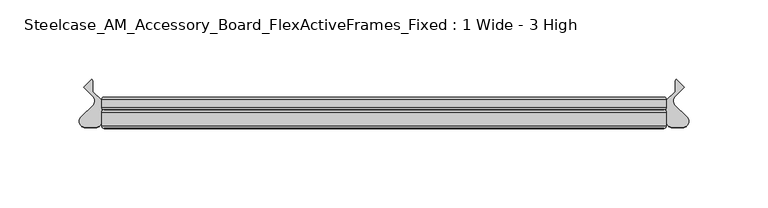
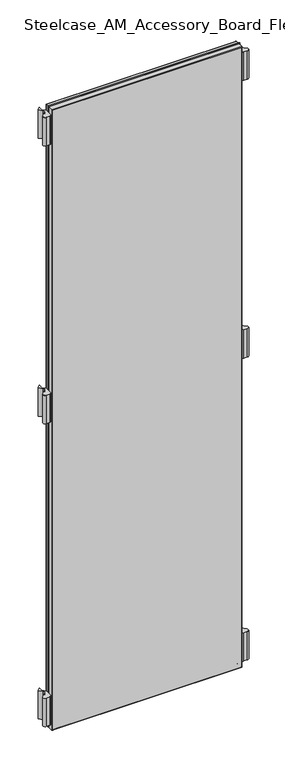
"""IFC4 building model written with IfcOpenShell, lengths in millimetres: furniture geometry, Steelcase_AM_Accessory_Board_FlexActiveFrames_Fixed : 1 Wide - 3 High."""

from ifc_helpers import new_model, si_unit, point, frame, frame_2d, origin, place, context, project, spatial, polyline, circle_curve, ellipse_curve, trimmed, segment, composite_curve, outline, extrude, source, transform, mapped, element, save
from ifc_brep_helpers import plane_surface, cylinder_surface, advanced_brep


def steelcase_am_accessory_board_flexactiveframes_fixed_1_wide_3_e4497c8a(model_context):
    return source(origin(), model_context, "Body", "SolidModel", [
        extrude(outline(composite_curve([segment(trimmed(circle_curve(frame_2d((366.3109206, -15.2513959)), 3.81), [point((369.0031146, -12.5554375))], [point((366.3109156, -19.0613959))], False, "CARTESIAN"), True, "CONTINUOUS"), segment(polyline([(366.3109156, -19.0613959), (359.8052393, -19.0613873)]), True, "CONTINUOUS"), segment(trimmed(circle_curve(frame_2d((359.8052443, -15.2513873)), 3.81), [point((359.8052393, -19.0613873))], [point((355.9952443, -15.2513873))], False, "CARTESIAN"), True, "CONTINUOUS"), segment(polyline([(355.9952443, -15.2513873), (355.9952443, -2.0686095), (361.4976034, 3.4250486), (361.4976034, 10.299411), (362.2035681, 11.2027231), (367.1573362, 6.2470172), (361.4203075, 0.3149559)]), True, "CONTINUOUS"), segment(trimmed(circle_curve(frame_2d((364.1590296, -2.3337233)), 3.81), [point((361.4203075, 0.3149559))], [point((361.4668356, -5.0296817))], True, "CARTESIAN"), True, "CONTINUOUS"), segment(polyline([(361.4668356, -5.0296817), (369.0031146, -12.5554375)]), True, "CONTINUOUS")], self_intersect=False)), frame((0.0, 0.0, 708.2536), z_axis=(0.0, 0.0, 1.0), x_axis=(1.0, 0.0, 0.0)), (0.0, 0.0, 1.0), 55.88),
        extrude(outline(composite_curve([segment(trimmed(circle_curve(frame_2d((366.3109206, -15.2513959)), 3.81), [point((369.0031146, -12.5554375))], [point((366.3109156, -19.0613959))], False, "CARTESIAN"), True, "CONTINUOUS"), segment(polyline([(366.3109156, -19.0613959), (359.8052393, -19.0613873)]), True, "CONTINUOUS"), segment(trimmed(circle_curve(frame_2d((359.8052443, -15.2513873)), 3.81), [point((359.8052393, -19.0613873))], [point((355.9952443, -15.2513873))], False, "CARTESIAN"), True, "CONTINUOUS"), segment(polyline([(355.9952443, -15.2513873), (355.9952443, -2.0686095), (361.4976034, 3.4250486), (361.4976034, 10.299411), (362.2035681, 11.2027231), (367.1573362, 6.2470172), (361.4203075, 0.3149559)]), True, "CONTINUOUS"), segment(trimmed(circle_curve(frame_2d((364.1590296, -2.3337233)), 3.81), [point((361.4203075, 0.3149559))], [point((361.4668356, -5.0296817))], True, "CARTESIAN"), True, "CONTINUOUS"), segment(polyline([(361.4668356, -5.0296817), (369.0031146, -12.5554375)]), True, "CONTINUOUS")], self_intersect=False)), frame((0.0, 0.0, 110.0836), z_axis=(0.0, 0.0, 1.0), x_axis=(1.0, 0.0, 0.0)), (0.0, 0.0, 1.0), 55.88),
        extrude(outline(composite_curve([segment(trimmed(circle_curve(frame_2d((366.3109206, -15.2513959)), 3.81), [point((369.0031146, -12.5554375))], [point((366.3109156, -19.0613959))], False, "CARTESIAN"), True, "CONTINUOUS"), segment(polyline([(366.3109156, -19.0613959), (359.8052393, -19.0613873)]), True, "CONTINUOUS"), segment(trimmed(circle_curve(frame_2d((359.8052443, -15.2513873)), 3.81), [point((359.8052393, -19.0613873))], [point((355.9952443, -15.2513873))], False, "CARTESIAN"), True, "CONTINUOUS"), segment(polyline([(355.9952443, -15.2513873), (355.9952443, -2.0686095), (361.4976034, 3.4250486), (361.4976034, 10.299411), (362.2035681, 11.2027231), (367.1573362, 6.2470172), (361.4203075, 0.3149559)]), True, "CONTINUOUS"), segment(trimmed(circle_curve(frame_2d((364.1590296, -2.3337233)), 3.81), [point((361.4203075, 0.3149559))], [point((361.4668356, -5.0296817))], True, "CARTESIAN"), True, "CONTINUOUS"), segment(polyline([(361.4668356, -5.0296817), (369.0031146, -12.5554375)]), True, "CONTINUOUS")], self_intersect=False)), frame((0.0, 0.0, 1257.1116006), z_axis=(0.0, 0.0, 1.0), x_axis=(1.0, 0.0, 0.0)), (0.0, 0.0, 1.0), 55.9983261),
        extrude(outline(composite_curve([segment(polyline([(-13.0078703, -12.5554375), (-5.4715914, -5.0296817)]), True, "CONTINUOUS"), segment(trimmed(circle_curve(frame_2d((-8.1637853, -2.3337233)), 3.81), [point((-5.4715914, -5.0296817))], [point((-5.4250632, 0.3149559))], True, "CARTESIAN"), True, "CONTINUOUS"), segment(polyline([(-5.4250632, 0.3149559), (-11.1620919, 6.2470172), (-6.2083238, 11.2027231), (-5.5023592, 10.299411), (-5.5023592, 3.4250486), (0.0, -2.0686095), (0.0, -15.2513873)]), True, "CONTINUOUS"), segment(trimmed(circle_curve(frame_2d((-3.81, -15.2513873)), 3.81), [point((0.0, -15.2513873))], [point((-3.809995, -19.0613873))], False, "CARTESIAN"), True, "CONTINUOUS"), segment(polyline([(-3.809995, -19.0613873), (-10.3156713, -19.0613959)]), True, "CONTINUOUS"), segment(trimmed(circle_curve(frame_2d((-10.3156763, -15.2513959)), 3.81), [point((-10.3156713, -19.0613959))], [point((-13.0078703, -12.5554375))], False, "CARTESIAN"), True, "CONTINUOUS")], self_intersect=False)), frame((0.0, 0.0, 708.2536), z_axis=(0.0, 0.0, 1.0), x_axis=(1.0, 0.0, 0.0)), (0.0, 0.0, 1.0), 55.88),
        extrude(outline(composite_curve([segment(polyline([(-13.0078703, -12.5554375), (-5.4715914, -5.0296817)]), True, "CONTINUOUS"), segment(trimmed(circle_curve(frame_2d((-8.1637853, -2.3337233)), 3.81), [point((-5.4715914, -5.0296817))], [point((-5.4250632, 0.3149559))], True, "CARTESIAN"), True, "CONTINUOUS"), segment(polyline([(-5.4250632, 0.3149559), (-11.1620919, 6.2470172), (-6.2083238, 11.2027231), (-5.5023592, 10.299411), (-5.5023592, 3.4250486), (0.0, -2.0686095), (0.0, -15.2513873)]), True, "CONTINUOUS"), segment(trimmed(circle_curve(frame_2d((-3.81, -15.2513873)), 3.81), [point((0.0, -15.2513873))], [point((-3.809995, -19.0613873))], False, "CARTESIAN"), True, "CONTINUOUS"), segment(polyline([(-3.809995, -19.0613873), (-10.3156713, -19.0613959)]), True, "CONTINUOUS"), segment(trimmed(circle_curve(frame_2d((-10.3156763, -15.2513959)), 3.81), [point((-10.3156713, -19.0613959))], [point((-13.0078703, -12.5554375))], False, "CARTESIAN"), True, "CONTINUOUS")], self_intersect=False)), frame((0.0, 0.0, 110.0836), z_axis=(0.0, 0.0, 1.0), x_axis=(1.0, 0.0, 0.0)), (0.0, 0.0, 1.0), 55.88),
        extrude(outline(composite_curve([segment(polyline([(-13.0078703, -12.5554375), (-5.4715914, -5.0296817)]), True, "CONTINUOUS"), segment(trimmed(circle_curve(frame_2d((-8.1637853, -2.3337233)), 3.81), [point((-5.4715914, -5.0296817))], [point((-5.4250632, 0.3149559))], True, "CARTESIAN"), True, "CONTINUOUS"), segment(polyline([(-5.4250632, 0.3149559), (-11.1620919, 6.2470172), (-6.2083238, 11.2027231), (-5.5023592, 10.299411), (-5.5023592, 3.4250486), (0.0, -2.0686095), (0.0, -15.2513873)]), True, "CONTINUOUS"), segment(trimmed(circle_curve(frame_2d((-3.81, -15.2513873)), 3.81), [point((0.0, -15.2513873))], [point((-3.809995, -19.0613873))], False, "CARTESIAN"), True, "CONTINUOUS"), segment(polyline([(-3.809995, -19.0613873), (-10.3156713, -19.0613959)]), True, "CONTINUOUS"), segment(trimmed(circle_curve(frame_2d((-10.3156763, -15.2513959)), 3.81), [point((-10.3156713, -19.0613959))], [point((-13.0078703, -12.5554375))], False, "CARTESIAN"), True, "CONTINUOUS")], self_intersect=False)), frame((0.0, 0.0, 1257.1116006), z_axis=(0.0, 0.0, 1.0), x_axis=(1.0, 0.0, 0.0)), (0.0, 0.0, 1.0), 55.9983261),
        extrude(outline(polyline([(354.4952389, -19.7016999), (1.5000053, -19.7016999), (1.5000053, -8.0000171), (354.4952389, -8.0000171), (354.4952389, -19.7016999)])), frame((0.0, 0.0, 100.1536053), z_axis=(0.0, 0.0, 1.0), x_axis=(1.0, 0.0, 0.0)), (0.0, 0.0, 1.0), 1222.9563893),
        advanced_brep(
        [(0.0, -9.5000224, 1324.61), (1.5000053, -8.0000171, 1323.1099947), (1.5000053, -8.0000171, 100.1536053), (0.0, -9.5000224, 98.6536), (0.0, -18.2016946, 1324.61), (0.0, -18.2016946, 98.6536), (1.5000053, -19.7016999, 1323.1099947), (1.5000053, -19.7016999, 100.1536053), (354.4952389, -8.0000171, 100.1536053), (355.9952443, -9.5000224, 98.6536), (355.9952443, -18.2016946, 98.6536), (354.4952389, -19.7016999, 100.1536053), (354.4952389, -8.0000171, 1323.1099947), (355.9952443, -9.5000224, 1324.61), (355.9952443, -18.2016946, 1324.61), (354.4952389, -19.7016999, 1323.1099947)],
        [
            (0, 1, ellipse_curve(frame((1.5000053, -9.5000224, 1323.1099947), z_axis=(-0.7071067811865475, 0.0, -0.7071067811865475), x_axis=(-0.7071067811865474, 0.0, 0.7071067811865476)), 2.1213279, 1.5000053)),
            (1, 2),
            (2, 3, ellipse_curve(frame((1.5000053, -9.5000224, 100.1536053), z_axis=(-0.7071067811865475, 0.0, 0.7071067811865475), x_axis=(0.7071067811865474, 0.0, 0.7071067811865476)), 2.1213279, 1.5000053)),
            (3, 0),
            (4, 0),
            (3, 5),
            (5, 4),
            (1, 6),
            (6, 7),
            (7, 2),
            (2, 8),
            (8, 9, ellipse_curve(frame((354.4952389, -9.5000224, 100.1536053), z_axis=(-0.7071067811865475, 0.0, -0.7071067811865475), x_axis=(-0.7071067811865476, 0.0, 0.7071067811865474)), 2.1213279, 1.5000053)),
            (9, 3),
            (9, 10),
            (10, 5),
            (7, 11),
            (11, 8),
            (8, 12),
            (12, 13, ellipse_curve(frame((354.4952389, -9.5000224, 1323.1099947), z_axis=(0.7071067811865475, 0.0, -0.7071067811865475), x_axis=(-0.7071067811865474, 0.0, -0.7071067811865476)), 2.1213279, 1.5000053)),
            (13, 9),
            (13, 14),
            (14, 10),
            (11, 15),
            (15, 12),
            (12, 1),
            (0, 13),
            (4, 14),
            (15, 6),
            (6, 4, ellipse_curve(frame((1.5000053, -18.2016946, 1323.1099947), z_axis=(-0.7071067811865475, 0.0, -0.7071067811865475), x_axis=(-0.7071067811865474, 0.0, 0.7071067811865476)), 2.1213279, 1.5000053)),
            (5, 7, ellipse_curve(frame((1.5000053, -18.2016946, 100.1536053), z_axis=(-0.7071067811865475, 0.0, 0.7071067811865475), x_axis=(0.7071067811865474, 0.0, 0.7071067811865476)), 2.1213279, 1.5000053)),
            (10, 11, ellipse_curve(frame((354.4952389, -18.2016946, 100.1536053), z_axis=(-0.7071067811865475, 0.0, -0.7071067811865475), x_axis=(-0.7071067811865476, 0.0, 0.7071067811865474)), 2.1213279, 1.5000053)),
            (14, 15, ellipse_curve(frame((354.4952389, -18.2016946, 1323.1099947), z_axis=(0.7071067811865475, 0.0, -0.7071067811865475), x_axis=(-0.7071067811865474, 0.0, -0.7071067811865476)), 2.1213279, 1.5000053)),
        ],
        [
            cylinder_surface(frame((1.5000053, -9.5000224, 1324.61), z_axis=(0.0, 0.0, 1.0), x_axis=(1.0, 0.0, 0.0)), 1.5000053),
            plane_surface(frame((0.0, -9.5000224, 1324.61), z_axis=(-1.0, 0.0, 0.0), x_axis=(0.0, 0.0, -1.0))),
            plane_surface(frame((1.5000053, -19.7016999, 1323.1099947), z_axis=(1.0, 0.0, 0.0), x_axis=(0.0, 0.0, -1.0))),
            cylinder_surface(frame((0.0, -9.5000224, 100.1536053), z_axis=(-1.0, 0.0, 0.0), x_axis=(0.0, 0.0, 1.0)), 1.5000053),
            plane_surface(frame((0.0, -9.5000224, 98.6536), z_axis=(0.0, 0.0, -1.0), x_axis=(1.0, 0.0, 0.0))),
            plane_surface(frame((1.5000053, -19.7016999, 100.1536053), z_axis=(0.0, 0.0, 1.0), x_axis=(1.0, 0.0, 0.0))),
            cylinder_surface(frame((354.4952389, -9.5000224, 98.6536), z_axis=(0.0, 0.0, -1.0), x_axis=(-1.0, 0.0, 0.0)), 1.5000053),
            plane_surface(frame((355.9952443, -9.5000224, 98.6536), z_axis=(1.0, 0.0, 0.0), x_axis=(0.0, 0.0, 1.0))),
            plane_surface(frame((354.4952389, -19.7016999, 100.1536053), z_axis=(-1.0, 0.0, 0.0), x_axis=(0.0, 0.0, 1.0))),
            cylinder_surface(frame((355.9952443, -9.5000224, 1323.1099947), z_axis=(1.0, 0.0, 0.0), x_axis=(0.0, 0.0, -1.0)), 1.5000053),
            plane_surface(frame((355.9952443, -9.5000224, 1324.61), z_axis=(0.0, 0.0, 1.0), x_axis=(-1.0, 0.0, 0.0))),
            plane_surface(frame((354.4952389, -19.7016999, 1323.1099947), z_axis=(0.0, 0.0, -1.0), x_axis=(-1.0, 0.0, 0.0))),
            cylinder_surface(frame((1.5000053, -18.2016946, 1324.61), z_axis=(0.0, 0.0, 1.0), x_axis=(1.0, 0.0, 0.0)), 1.5000053),
            cylinder_surface(frame((0.0, -18.2016946, 100.1536053), z_axis=(-1.0, 0.0, 0.0), x_axis=(0.0, 0.0, 1.0)), 1.5000053),
            cylinder_surface(frame((354.4952389, -18.2016946, 98.6536), z_axis=(0.0, 0.0, -1.0), x_axis=(-1.0, 0.0, 0.0)), 1.5000053),
            cylinder_surface(frame((355.9952443, -18.2016946, 1323.1099947), z_axis=(1.0, 0.0, 0.0), x_axis=(0.0, 0.0, -1.0)), 1.5000053),
        ],
        [
            (0, [[1, 2, 3, 4]]),
            (1, [[5, -4, 6, 7]]),
            (2, [[8, 9, 10, -2]]),
            (3, [[-3, 11, 12, 13]]),
            (4, [[-6, -13, 14, 15]]),
            (5, [[-10, 16, 17, -11]]),
            (6, [[-12, 18, 19, 20]]),
            (7, [[-14, -20, 21, 22]]),
            (8, [[-17, 23, 24, -18]]),
            (9, [[-19, 25, -1, 26]]),
            (10, [[-21, -26, -5, 27]]),
            (11, [[-24, 28, -8, -25]]),
            (12, [[29, -7, 30, -9]]),
            (13, [[-30, -15, 31, -16]]),
            (14, [[-31, -22, 32, -23]]),
            (15, [[-32, -27, -29, -28]]),
        ],
    ),
        extrude(outline(polyline([(354.4952389, -8.0000171), (1.5000053, -8.0000171), (1.5000053, 0.0), (354.4952389, 0.0), (354.4952389, -8.0000171)])), frame((0.0, 0.0, 100.1536053), z_axis=(0.0, 0.0, 1.0), x_axis=(1.0, 0.0, 0.0)), (0.0, 0.0, 1.0), 1222.9563893),
        advanced_brep(
        [(0.0, -1.5000053, 1324.61), (1.5000053, 0.0, 1323.1099947), (1.5000053, 0.0, 100.1536053), (0.0, -1.5000053, 98.6536), (0.0, -6.5000117, 1324.61), (0.0, -6.5000117, 98.6536), (1.5000053, -8.0000171, 1323.1099947), (1.5000053, -8.0000171, 100.1536053), (354.4952389, 0.0, 100.1536053), (355.9952443, -1.5000053, 98.6536), (355.9952443, -6.5000117, 98.6536), (354.4952389, -8.0000171, 100.1536053), (354.4952389, 0.0, 1323.1099947), (355.9952443, -1.5000053, 1324.61), (355.9952443, -6.5000117, 1324.61), (354.4952389, -8.0000171, 1323.1099947)],
        [
            (0, 1, ellipse_curve(frame((1.5000053, -1.5000053, 1323.1099947), z_axis=(-0.7071067811865475, 0.0, -0.7071067811865475), x_axis=(-0.7071067811865474, 0.0, 0.7071067811865476)), 2.1213279, 1.5000053)),
            (1, 2),
            (2, 3, ellipse_curve(frame((1.5000053, -1.5000053, 100.1536053), z_axis=(-0.7071067811865475, 0.0, 0.7071067811865475), x_axis=(0.7071067811865474, 0.0, 0.7071067811865476)), 2.1213279, 1.5000053)),
            (3, 0),
            (4, 0),
            (3, 5),
            (5, 4),
            (6, 4, ellipse_curve(frame((1.5000053, -6.5000117, 1323.1099947), z_axis=(-0.7071067811865475, 0.0, -0.7071067811865475), x_axis=(-0.7071067811865474, 0.0, 0.7071067811865476)), 2.1213279, 1.5000053)),
            (5, 7, ellipse_curve(frame((1.5000053, -6.5000117, 100.1536053), z_axis=(-0.7071067811865475, 0.0, 0.7071067811865475), x_axis=(0.7071067811865474, 0.0, 0.7071067811865476)), 2.1213279, 1.5000053)),
            (7, 6),
            (1, 6),
            (7, 2),
            (2, 8),
            (8, 9, ellipse_curve(frame((354.4952389, -1.5000053, 100.1536053), z_axis=(-0.7071067811865475, 0.0, -0.7071067811865475), x_axis=(-0.7071067811865476, 0.0, 0.7071067811865474)), 2.1213279, 1.5000053)),
            (9, 3),
            (9, 10),
            (10, 5),
            (10, 11, ellipse_curve(frame((354.4952389, -6.5000117, 100.1536053), z_axis=(-0.7071067811865475, 0.0, -0.7071067811865475), x_axis=(-0.7071067811865476, 0.0, 0.7071067811865474)), 2.1213279, 1.5000053)),
            (11, 7),
            (11, 8),
            (8, 12),
            (12, 13, ellipse_curve(frame((354.4952389, -1.5000053, 1323.1099947), z_axis=(0.7071067811865475, 0.0, -0.7071067811865475), x_axis=(-0.7071067811865474, 0.0, -0.7071067811865476)), 2.1213279, 1.5000053)),
            (13, 9),
            (13, 14),
            (14, 10),
            (14, 15, ellipse_curve(frame((354.4952389, -6.5000117, 1323.1099947), z_axis=(0.7071067811865475, 0.0, -0.7071067811865475), x_axis=(-0.7071067811865474, 0.0, -0.7071067811865476)), 2.1213279, 1.5000053)),
            (15, 11),
            (15, 12),
            (12, 1),
            (0, 13),
            (4, 14),
            (6, 15),
        ],
        [
            cylinder_surface(frame((1.5000053, -1.5000053, 1324.61), z_axis=(0.0, 0.0, 1.0), x_axis=(1.0, 0.0, 0.0)), 1.5000053),
            plane_surface(frame((0.0, -1.5000053, 1324.61), z_axis=(-1.0, 0.0, 0.0), x_axis=(0.0, 0.0, -1.0))),
            cylinder_surface(frame((1.5000053, -6.5000117, 1324.61), z_axis=(0.0, 0.0, 1.0), x_axis=(1.0, 0.0, 0.0)), 1.5000053),
            plane_surface(frame((1.5000053, -8.0000171, 1323.1099947), z_axis=(1.0, 0.0, 0.0), x_axis=(0.0, 0.0, -1.0))),
            cylinder_surface(frame((0.0, -1.5000053, 100.1536053), z_axis=(-1.0, 0.0, 0.0), x_axis=(0.0, 0.0, 1.0)), 1.5000053),
            plane_surface(frame((0.0, -1.5000053, 98.6536), z_axis=(0.0, 0.0, -1.0), x_axis=(1.0, 0.0, 0.0))),
            cylinder_surface(frame((0.0, -6.5000117, 100.1536053), z_axis=(-1.0, 0.0, 0.0), x_axis=(0.0, 0.0, 1.0)), 1.5000053),
            plane_surface(frame((1.5000053, -8.0000171, 100.1536053), z_axis=(0.0, 0.0, 1.0), x_axis=(1.0, 0.0, 0.0))),
            cylinder_surface(frame((354.4952389, -1.5000053, 98.6536), z_axis=(0.0, 0.0, -1.0), x_axis=(-1.0, 0.0, 0.0)), 1.5000053),
            plane_surface(frame((355.9952443, -1.5000053, 98.6536), z_axis=(1.0, 0.0, 0.0), x_axis=(0.0, 0.0, 1.0))),
            cylinder_surface(frame((354.4952389, -6.5000117, 98.6536), z_axis=(0.0, 0.0, -1.0), x_axis=(-1.0, 0.0, 0.0)), 1.5000053),
            plane_surface(frame((354.4952389, -8.0000171, 100.1536053), z_axis=(-1.0, 0.0, 0.0), x_axis=(0.0, 0.0, 1.0))),
            cylinder_surface(frame((355.9952443, -1.5000053, 1323.1099947), z_axis=(1.0, 0.0, 0.0), x_axis=(0.0, 0.0, -1.0)), 1.5000053),
            plane_surface(frame((355.9952443, -1.5000053, 1324.61), z_axis=(0.0, 0.0, 1.0), x_axis=(-1.0, 0.0, 0.0))),
            cylinder_surface(frame((355.9952443, -6.5000117, 1323.1099947), z_axis=(1.0, 0.0, 0.0), x_axis=(0.0, 0.0, -1.0)), 1.5000053),
            plane_surface(frame((354.4952389, -8.0000171, 1323.1099947), z_axis=(0.0, 0.0, -1.0), x_axis=(-1.0, 0.0, 0.0))),
        ],
        [
            (0, [[1, 2, 3, 4]]),
            (1, [[5, -4, 6, 7]]),
            (2, [[8, -7, 9, 10]]),
            (3, [[11, -10, 12, -2]]),
            (4, [[-3, 13, 14, 15]]),
            (5, [[-6, -15, 16, 17]]),
            (6, [[-9, -17, 18, 19]]),
            (7, [[-12, -19, 20, -13]]),
            (8, [[-14, 21, 22, 23]]),
            (9, [[-16, -23, 24, 25]]),
            (10, [[-18, -25, 26, 27]]),
            (11, [[-20, -27, 28, -21]]),
            (12, [[-22, 29, -1, 30]]),
            (13, [[-24, -30, -5, 31]]),
            (14, [[-26, -31, -8, 32]]),
            (15, [[-28, -32, -11, -29]]),
        ],
    ),
    ])


if __name__ == "__main__":
    model = new_model("IFC4")
    model_context = context("Model", 3, world=origin())
    ifc_project = project(units=[si_unit("LENGTHUNIT", "METRE", prefix="MILLI")], contexts=[model_context])
    site = spatial("IfcSite", under=ifc_project)
    building = spatial("IfcBuilding", under=site)
    placement = place(None, origin())
    steelcase_am_accessory_board_flexactiveframes_fixed_1_wide_3_shape = steelcase_am_accessory_board_flexactiveframes_fixed_1_wide_3_e4497c8a(model_context)
    element("IfcFurniture", 1, ObjectType="Steelcase_AM_Accessory_Board_FlexActiveFrames_Fixed : 1 Wide - 3 High", at=placement, inside=building, context=model_context, shape_type="MappedRepresentation", body=[
        mapped(steelcase_am_accessory_board_flexactiveframes_fixed_1_wide_3_shape, transform((0.0, 0.0, 0.0), x_axis=(1.0, 0.0, 0.0), y_axis=(0.0, 1.0, 0.0), z_axis=(0.0, 0.0, 1.0))),
    ])
    save(model, "model.ifc")
